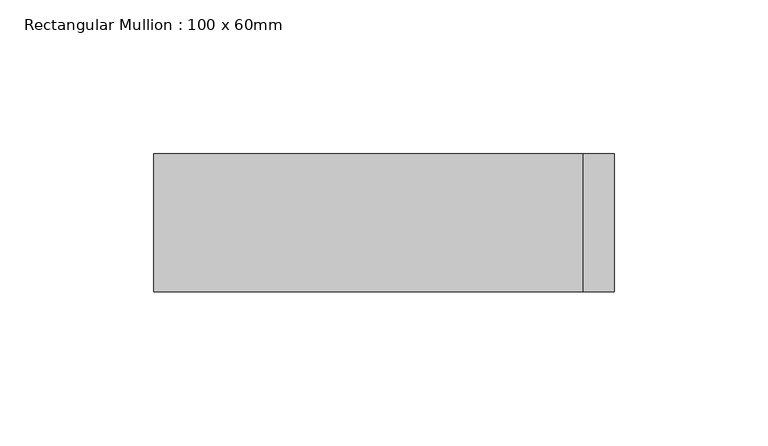
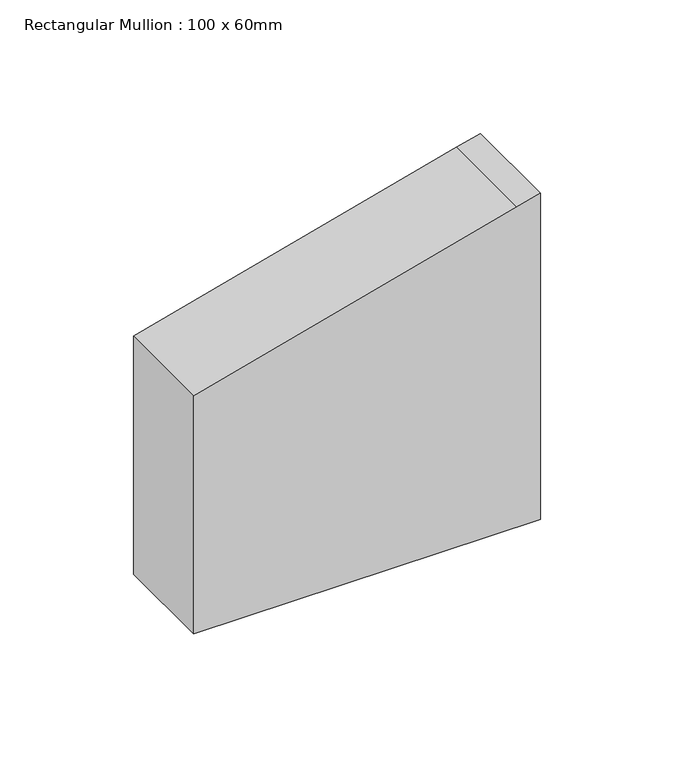
"""IFC4 building model written with IfcOpenShell, lengths in millimetres: member geometry, Rectangular Mullion : 100 x 60mm."""

from ifc_helpers import new_model, si_unit, frame, origin, place, context, project, spatial, polyline, outline, extrude, source, transform, mapped, element, save


def rectangular_mullion_100_x_60mm_770e583d(model_context):
    return source(origin(), model_context, "Body", "SweptSolid", [
        extrude(outline(polyline([(-238.7228557, 75.0), (-241.4814566, 64.7047613), (-278.9152345, -75.0), (-387.8572062, -75.0), (-387.8572062, 75.0), (-238.7228557, 75.0)])), frame((0.0, -30.0, 0.0), z_axis=(0.0, 1.0, 0.0), x_axis=(0.0, 0.0, 1.0)), (0.0, 0.0, 1.0), 45.0),
    ])


if __name__ == "__main__":
    model = new_model("IFC4")
    model_context = context("Model", 3, world=origin())
    ifc_project = project(units=[si_unit("LENGTHUNIT", "METRE", prefix="MILLI")], contexts=[model_context])
    site = spatial("IfcSite", under=ifc_project)
    building = spatial("IfcBuilding", under=site)
    placement = place(None, origin())
    rectangular_mullion_100_x_60mm_shape = rectangular_mullion_100_x_60mm_770e583d(model_context)
    element("IfcMember", 1, ObjectType="Rectangular Mullion : 100 x 60mm", at=placement, inside=building, context=model_context, shape_type="MappedRepresentation", body=[
        mapped(rectangular_mullion_100_x_60mm_shape, transform((0.0, 0.0, 0.0), x_axis=(1.0, 0.0, 0.0), y_axis=(0.0, 1.0, 0.0), z_axis=(0.0, 0.0, 1.0))),
    ])
    save(model, "model.ifc")
